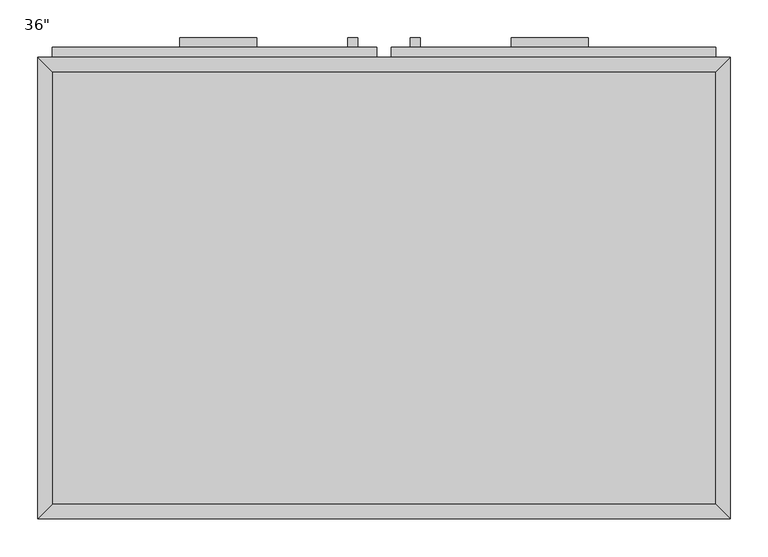
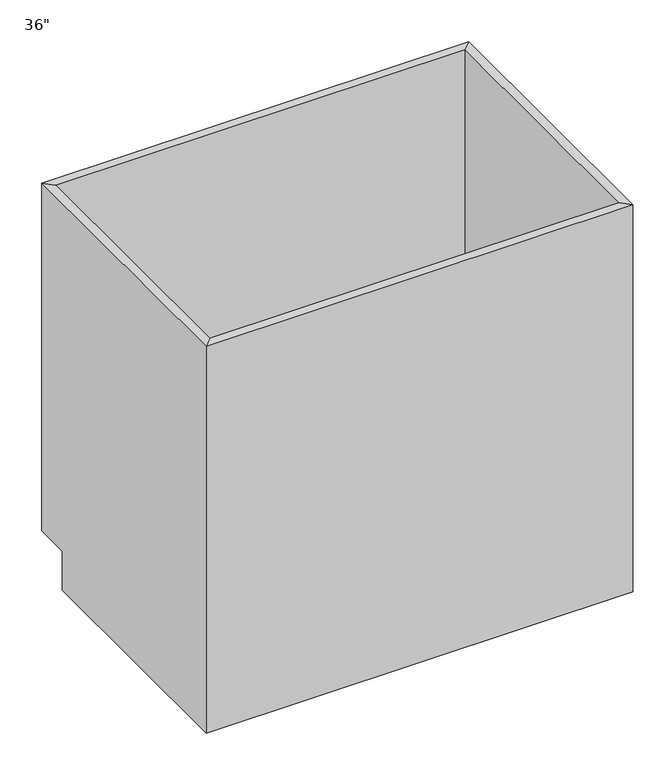
"""IFC4 building model written with IfcOpenShell, lengths in millimetres: furniture geometry."""

from ifc_helpers import new_model, si_unit, frame, origin, place, context, project, spatial, polyline, outline, extrude, faceted_brep, source, transform, mapped, element, save


def furniture_695a55eb(model_context):
    return source(origin(), model_context, "Body", "SolidModel", [
        faceted_brep([(456.8877049, 590.55, 876.3), (-419.4122951, 590.55, 876.3), (-419.4122951, 590.55, 88.9), (456.8877049, 590.55, 88.9), (475.9377049, 609.6, 876.3), (-438.4622951, 609.6, 876.3), (475.9377049, 609.6, 88.9), (-438.4622951, 609.6, 88.9), (-419.4122951, 19.05, 876.3), (-419.4122951, 19.05, 88.9), (-419.4122951, 533.4, 88.9), (-438.4622951, 0.0, 876.3), (-438.4622951, 533.4, 88.9), (-438.4622951, 533.4, 0.0), (-438.4622951, 0.0, 0.0), (456.8877049, 19.05, 876.3), (456.8877049, 19.05, 88.9), (475.9377049, 0.0, 876.3), (475.9377049, 0.0, 0.0), (456.8877049, 533.4, 88.9), (475.9377049, 533.4, 0.0), (475.9377049, 533.4, 88.9)], [[[0, 1, 2, 3]], [[0, 4, 5, 1]], [[4, 6, 7, 5]], [[2, 7, 6, 3]], [[1, 8, 9, 10, 2]], [[5, 11, 8, 1]], [[7, 12, 13, 14, 11, 5]], [[2, 10, 12, 7]], [[8, 15, 16, 9]], [[11, 17, 15, 8]], [[14, 18, 17, 11]], [[3, 19, 16, 15, 0]], [[0, 15, 17, 4]], [[4, 17, 18, 20, 21, 6]], [[6, 21, 19, 3]], [[10, 9, 16, 19]], [[18, 14, 13, 20]], [[13, 12, 10, 19, 21, 20]]]),
        extrude(outline(polyline([(-149.5372951, 635.0), (-149.5372951, 622.3), (-251.1372951, 622.3), (-251.1372951, 635.0), (-149.5372951, 635.0)])), frame((0.0, 0.0, 819.15), z_axis=(0.0, 0.0, 1.0), x_axis=(1.0, 0.0, 0.0)), (0.0, 0.0, 1.0), 12.7),
        extrude(outline(polyline([(288.6127049, 635.0), (288.6127049, 622.3), (187.0127049, 622.3), (187.0127049, 635.0), (288.6127049, 635.0)])), frame((0.0, 0.0, 819.15), z_axis=(0.0, 0.0, 1.0), x_axis=(1.0, 0.0, 0.0)), (0.0, 0.0, 1.0), 12.7),
        extrude(outline(polyline([(-16.1872951, 635.0), (-16.1872951, 622.3), (-28.8872951, 622.3), (-28.8872951, 635.0), (-16.1872951, 635.0)])), frame((0.0, 0.0, 596.9), z_axis=(0.0, 0.0, 1.0), x_axis=(1.0, 0.0, 0.0)), (0.0, 0.0, 1.0), 101.6),
        extrude(outline(polyline([(66.3627049, 635.0), (66.3627049, 622.3), (53.6627049, 622.3), (53.6627049, 635.0), (66.3627049, 635.0)])), frame((0.0, 0.0, 596.9), z_axis=(0.0, 0.0, 1.0), x_axis=(1.0, 0.0, 0.0)), (0.0, 0.0, 1.0), 101.6),
        extrude(outline(polyline([(456.8877049, 19.05), (-419.4122951, 19.05), (-419.4122951, 590.55), (456.8877049, 590.55), (456.8877049, 19.05)])), frame((0.0, 0.0, 88.9), z_axis=(0.0, 0.0, 1.0), x_axis=(1.0, 0.0, 0.0)), (0.0, 0.0, 1.0), 19.05),
        extrude(outline(polyline([(9.2127049, 622.3), (9.2127049, 609.6), (-419.4122951, 609.6), (-419.4122951, 622.3), (9.2127049, 622.3)])), frame((0.0, 0.0, 755.65), z_axis=(0.0, 0.0, 1.0), x_axis=(1.0, 0.0, 0.0)), (0.0, 0.0, 1.0), 101.6),
        extrude(outline(polyline([(456.8877049, 622.3), (456.8877049, 609.6), (28.2627049, 609.6), (28.2627049, 622.3), (456.8877049, 622.3)])), frame((0.0, 0.0, 755.65), z_axis=(0.0, 0.0, 1.0), x_axis=(1.0, 0.0, 0.0)), (0.0, 0.0, 1.0), 101.6),
        extrude(outline(polyline([(9.2127049, 622.3), (9.2127049, 609.6), (-419.4122951, 609.6), (-419.4122951, 622.3), (9.2127049, 622.3)])), frame((0.0, 0.0, 107.95), z_axis=(0.0, 0.0, 1.0), x_axis=(1.0, 0.0, 0.0)), (0.0, 0.0, 1.0), 628.65),
        extrude(outline(polyline([(456.8877049, 622.3), (456.8877049, 609.6), (28.2627049, 609.6), (28.2627049, 622.3), (456.8877049, 622.3)])), frame((0.0, 0.0, 107.95), z_axis=(0.0, 0.0, 1.0), x_axis=(1.0, 0.0, 0.0)), (0.0, 0.0, 1.0), 628.65),
    ])


if __name__ == "__main__":
    model = new_model("IFC4")
    model_context = context("Model", 3, world=origin())
    ifc_project = project(units=[si_unit("LENGTHUNIT", "METRE", prefix="MILLI")], contexts=[model_context])
    site = spatial("IfcSite", under=ifc_project)
    building = spatial("IfcBuilding", under=site)
    placement = place(None, origin())
    furniture_shape = furniture_695a55eb(model_context)
    element("IfcFurniture", 1, ObjectType="36\"", at=placement, inside=building, context=model_context, shape_type="MappedRepresentation", body=[
        mapped(furniture_shape, transform((0.0, 0.0, 0.0), x_axis=(1.0, 0.0, 0.0), y_axis=(0.0, 1.0, 0.0), z_axis=(0.0, 0.0, 1.0))),
    ])
    save(model, "model.ifc")
